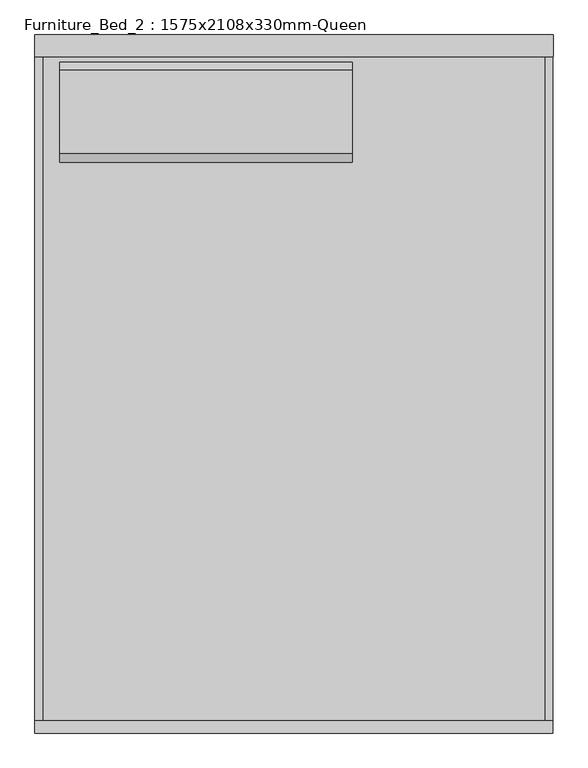
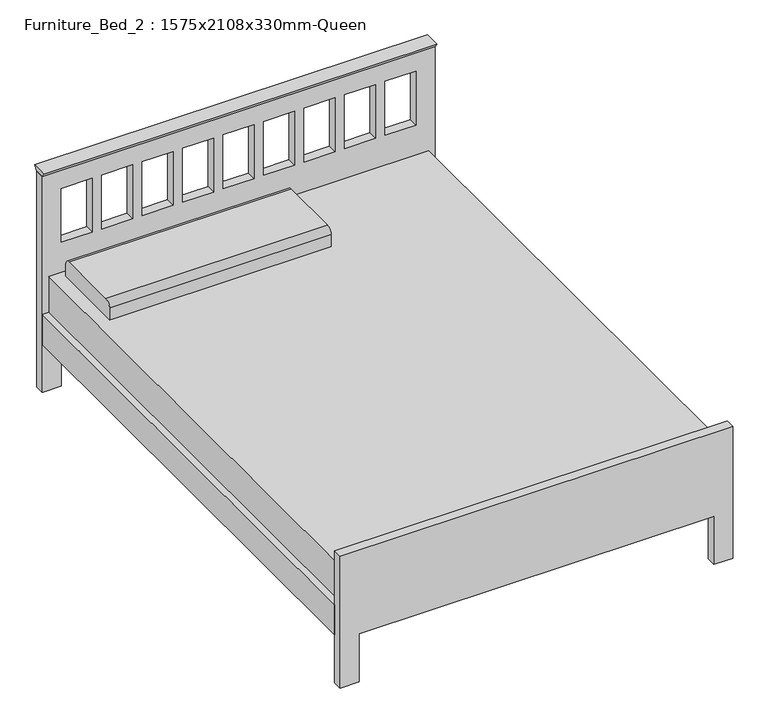
"""IFC4 building model written with IfcOpenShell, lengths in millimetres: furniture geometry, Furniture_Bed_2 : 1575x2108x330mm-Queen."""

from ifc_helpers import new_model, si_unit, point, frame, frame_2d, origin, place, context, project, spatial, polyline, circle_curve, trimmed, segment, composite_curve, outline, extrude, source, transform, mapped, element, save


def furniture_bed_2_1575x2108x330mm_queen_6a9d0629(model_context):
    return source(origin(), model_context, "Body", "SweptSolid", [
        extrude(outline(polyline([(914.4, 768.6168067), (914.4, -806.2365546), (0.0, -806.2365546), (0.0, -730.25), (203.2, -730.25), (203.2, 158.75), (0.0, 158.75), (0.0, 768.6168067), (914.4, 768.6168067)]), holes=[polyline([(838.2, -606.0722222), (609.6, -606.0722222), (609.6, -730.25), (838.2, -730.25), (838.2, -606.0722222)]), polyline([(838.2, -443.7944444), (609.6, -443.7944444), (609.6, -567.9722222), (838.2, -567.9722222), (838.2, -443.7944444)]), polyline([(838.2, -281.5166667), (609.6, -281.5166667), (609.6, -405.6944444), (838.2, -405.6944444), (838.2, -281.5166667)]), polyline([(838.2, -119.2388889), (609.6, -119.2388889), (609.6, -243.4166667), (838.2, -243.4166667), (838.2, -119.2388889)]), polyline([(838.2, 205.3166667), (609.6, 205.3166667), (609.6, 81.1388889), (838.2, 81.1388889), (838.2, 205.3166667)]), polyline([(838.2, 367.5944444), (609.6, 367.5944444), (609.6, 243.4166667), (838.2, 243.4166667), (838.2, 367.5944444)]), polyline([(838.2, 529.8722222), (609.6, 529.8722222), (609.6, 405.6944444), (838.2, 405.6944444), (838.2, 529.8722222)]), polyline([(838.2, 692.15), (609.6, 692.15), (609.6, 567.9722222), (838.2, 567.9722222), (838.2, 692.15)]), polyline([(838.2, 43.0388889), (609.6, 43.0388889), (609.6, -81.1388889), (838.2, -81.1388889), (838.2, 43.0388889)])]), frame((0.0, -38.1, 0.0), z_axis=(0.0, 1.0, 0.0), x_axis=(0.0, 0.0, 1.0)), (0.0, 0.0, 1.0), 38.1),
        extrude(outline(polyline([(0.0, -730.25), (203.2, -730.25), (203.2, 692.15), (0.0, 692.15), (0.0, 768.35), (558.8, 768.35), (558.8, -806.45), (0.0, -806.45), (0.0, -730.25)])), frame((0.0, -2108.2, 0.0), z_axis=(0.0, 1.0, 0.0), x_axis=(0.0, 0.0, 1.0)), (0.0, 0.0, 1.0), 38.1),
        extrude(outline(polyline([(-806.45, -2070.1), (-806.45, -38.1), (-781.05, -38.1), (-781.05, -2070.1), (-806.45, -2070.1)])), frame((0.0, 0.0, 203.5755296), z_axis=(0.0, 0.0, 1.0), x_axis=(1.0, 0.0, 0.0)), (0.0, 0.0, 1.0), 127.0),
        extrude(outline(polyline([(742.95, -2070.1), (742.95, -38.1), (768.35, -38.1), (768.35, -2070.1), (742.95, -2070.1)])), frame((0.0, 0.0, 203.0994861), z_axis=(0.0, 0.0, 1.0), x_axis=(1.0, 0.0, 0.0)), (0.0, 0.0, 1.0), 127.0),
        extrude(outline(polyline([(742.95, -38.1), (742.95, -2070.1), (-781.05, -2070.1), (-781.05, -38.1), (742.95, -38.1)])), frame((0.0, 0.0, 228.6), z_axis=(0.0, 0.0, 1.0), x_axis=(1.0, 0.0, 0.0)), (0.0, 0.0, 1.0), 254.0),
        extrude(outline(composite_curve([segment(polyline([(-373.2486637, 482.6), (-373.2486637, 533.4)]), True, "CONTINUOUS"), segment(trimmed(circle_curve(frame_2d((-347.8486637, 533.4)), 25.4), [point((-373.2486637, 533.4))], [point((-347.8486637, 558.8))], False, "CARTESIAN"), True, "CONTINUOUS"), segment(polyline([(-347.8486637, 558.8), (-93.8486637, 558.8)]), True, "CONTINUOUS"), segment(trimmed(circle_curve(frame_2d((-93.8486637, 533.4)), 25.4), [point((-93.8486637, 558.8))], [point((-68.4486637, 533.4))], False, "CARTESIAN"), True, "CONTINUOUS"), segment(polyline([(-68.4486637, 533.4), (-68.4486637, 482.6), (-373.2486637, 482.6)]), True, "CONTINUOUS")], self_intersect=False)), frame((-730.25, 0.0, 0.0), z_axis=(1.0, 0.0, 0.0), x_axis=(0.0, 1.0, 0.0)), (0.0, 0.0, 1.0), 889.0),
        extrude(outline(polyline([(-38.1, 914.4), (-51.9545455, 933.45), (13.8545455, 933.45), (0.0, 914.4), (-38.1, 914.4)])), frame((-806.2365546, 0.0, 0.0), z_axis=(1.0, 0.0, 0.0), x_axis=(0.0, 1.0, 0.0)), (0.0, 0.0, 1.0), 1574.8533613),
    ])


if __name__ == "__main__":
    model = new_model("IFC4")
    model_context = context("Model", 3, world=origin())
    ifc_project = project(units=[si_unit("LENGTHUNIT", "METRE", prefix="MILLI")], contexts=[model_context])
    site = spatial("IfcSite", under=ifc_project)
    building = spatial("IfcBuilding", under=site)
    placement = place(None, origin())
    furniture_bed_2_1575x2108x330mm_queen_shape = furniture_bed_2_1575x2108x330mm_queen_6a9d0629(model_context)
    element("IfcFurniture", 1, ObjectType="Furniture_Bed_2 : 1575x2108x330mm-Queen", at=placement, inside=building, context=model_context, shape_type="MappedRepresentation", body=[
        mapped(furniture_bed_2_1575x2108x330mm_queen_shape, transform((0.0, 0.0, 0.0), x_axis=(1.0, 0.0, 0.0), y_axis=(0.0, 1.0, 0.0), z_axis=(0.0, 0.0, 1.0))),
    ])
    save(model, "model.ifc")
